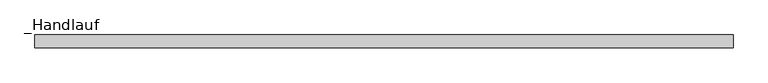
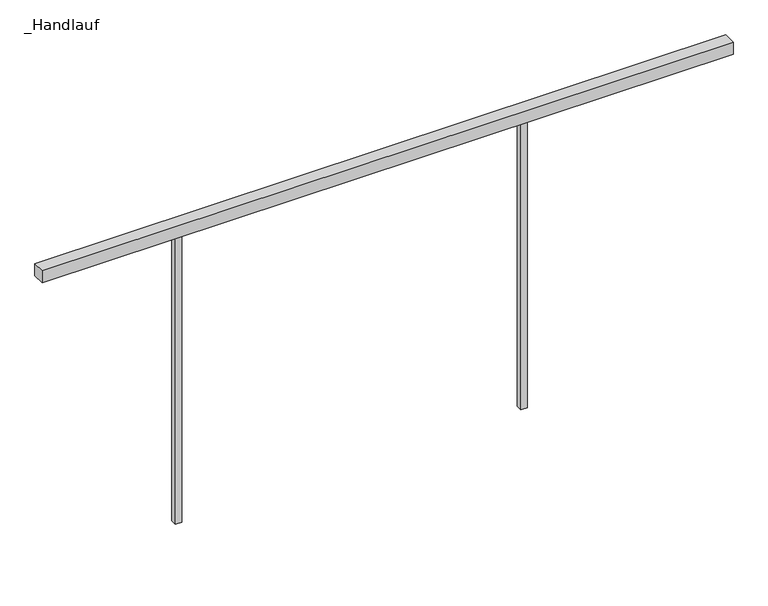
"""IFC4 building model written with IfcOpenShell, lengths in millimetres: railing geometry, _Handlauf."""

from ifc_helpers import new_model, si_unit, frame, origin, place, context, project, spatial, polyline, outline, extrude, source, transform, mapped, element, save


def handlauf_7daacf22(model_context):
    return source(origin(), model_context, "Body", "SweptSolid", [
        extrude(outline(polyline([(8940.0, 2300.0), (8940.0, 2260.0), (6760.0, 2260.0), (6760.0, 2300.0), (8940.0, 2300.0)])), frame((0.0, 0.0, 4460.0), z_axis=(0.0, 0.0, 1.0), x_axis=(1.0, 0.0, 0.0)), (0.0, 0.0, 1.0), 40.0),
        extrude(outline(polyline([(7206.0, 2290.0), (7206.0, 2270.0), (7186.0, 2270.0), (7186.0, 2290.0), (7206.0, 2290.0)])), frame((0.0, 0.0, 3500.0), z_axis=(0.0, 0.0, 1.0), x_axis=(1.0, 0.0, 0.0)), (0.0, 0.0, 1.0), 960.0),
        extrude(outline(polyline([(8296.0, 2290.0), (8296.0, 2270.0), (8276.0, 2270.0), (8276.0, 2290.0), (8296.0, 2290.0)])), frame((0.0, 0.0, 3500.0), z_axis=(0.0, 0.0, 1.0), x_axis=(1.0, 0.0, 0.0)), (0.0, 0.0, 1.0), 960.0),
    ])


if __name__ == "__main__":
    model = new_model("IFC4")
    model_context = context("Model", 3, world=origin())
    ifc_project = project(units=[si_unit("LENGTHUNIT", "METRE", prefix="MILLI")], contexts=[model_context])
    site = spatial("IfcSite", under=ifc_project)
    building = spatial("IfcBuilding", under=site)
    placement = place(None, origin())
    handlauf_shape = handlauf_7daacf22(model_context)
    element("IfcRailing", 1, ObjectType="_Handlauf", at=placement, inside=building, context=model_context, shape_type="MappedRepresentation", body=[
        mapped(handlauf_shape, transform((0.0, 0.0, 0.0), x_axis=(1.0, 0.0, 0.0), y_axis=(0.0, 1.0, 0.0), z_axis=(0.0, 0.0, 1.0))),
    ])
    save(model, "model.ifc")
